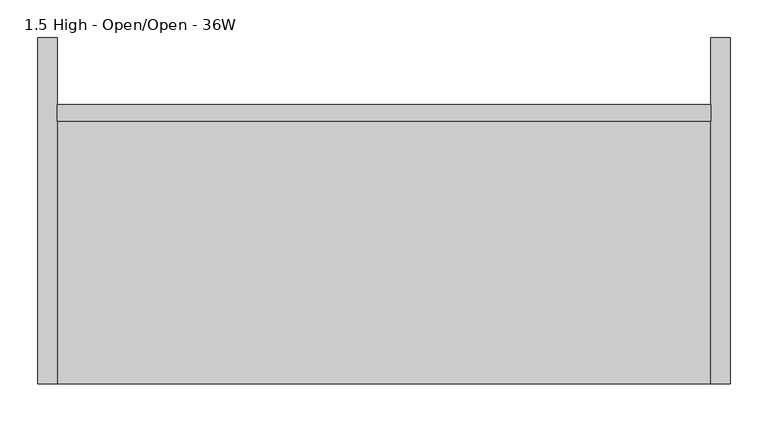
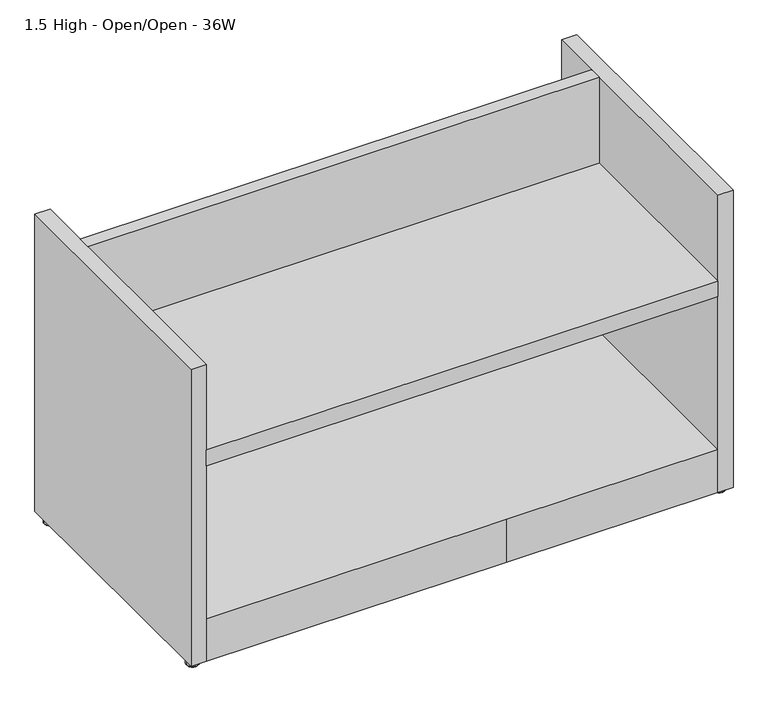
"""IFC4 building model written with IfcOpenShell, lengths in millimetres: furniture geometry, 1.5 High - Open/Open - 36W."""

from ifc_helpers import new_model, si_unit, frame, origin, place, context, project, spatial, polyline, circle_curve, outline, extrude, source, transform, mapped, element, save
from ifc_brep_helpers import plane_surface, cylinder_surface, revolved_surface, advanced_brep


def furniture_1_5_high_open_open_36w_d1925886(model_context):
    return source(origin(), model_context, "Body", "SolidModel", [
        extrude(outline(polyline([(888.899231, -110.236), (888.899231, -457.3261219), (25.500769, -457.3261219), (25.500769, -110.236), (888.899231, -110.236)])), frame((0.0, 0.0, 361.1118244), z_axis=(0.0, 0.0, 1.0), x_axis=(1.0, 0.0, 0.0)), (0.0, 0.0, 1.0), 27.8256756),
        advanced_brep(
        [(4.4898161, -438.2761219, 0.0), (20.9101839, -438.2761219, 0.0), (12.7, -438.2761219, 0.0), (2.4325396, -438.2761219, 2.0572766), (22.9674604, -438.2761219, 2.0572766), (2.4325396, -438.2761219, 11.509375), (22.9674604, -438.2761219, 11.509375), (12.7, -438.2761219, 11.509375)],
        [
            (0, 1, circle_curve(frame((12.7, -438.2761219, 0.0), z_axis=(0.0, 0.0, -1.0), x_axis=(1.0, 0.0, 0.0)), 8.2101839)),
            (1, 2),
            (2, 0),
            (1, 0, circle_curve(frame((12.7, -438.2761219, 0.0), z_axis=(0.0, 0.0, -1.0), x_axis=(1.0, 0.0, 0.0)), 8.2101839)),
            (3, 4, circle_curve(frame((12.7, -438.2761219, 2.0572766), z_axis=(0.0, 0.0, -1.0), x_axis=(1.0, 0.0, 0.0)), 10.2674604)),
            (4, 1),
            (0, 3),
            (4, 3, circle_curve(frame((12.7, -438.2761219, 2.0572766), z_axis=(0.0, 0.0, -1.0), x_axis=(1.0, 0.0, 0.0)), 10.2674604)),
            (5, 6, circle_curve(frame((12.7, -438.2761219, 11.509375), z_axis=(0.0, 0.0, -1.0), x_axis=(1.0, 0.0, 0.0)), 10.2674604)),
            (6, 4),
            (3, 5),
            (6, 5, circle_curve(frame((12.7, -438.2761219, 11.509375), z_axis=(0.0, 0.0, -1.0), x_axis=(1.0, 0.0, 0.0)), 10.2674604)),
            (7, 6),
            (5, 7),
        ],
        [
            plane_surface(frame((12.7, -438.2761219, 0.0), z_axis=(0.0, 0.0, -1.0), x_axis=(1.0, 0.0, 0.0))),
            revolved_surface(polyline([(20.9101839, -438.2761219, 0.0), (22.9674604, -438.2761219, 2.0572766)]), (12.7, -438.2761219, 11.509375), (0.0, 0.0, 1.0)),
            cylinder_surface(frame((12.7, -438.2761219, 11.509375), z_axis=(0.0, 0.0, 1.0), x_axis=(1.0, 0.0, 0.0)), 10.2674604),
            plane_surface(frame((12.7, -438.2761219, 11.509375), z_axis=(0.0, 0.0, 1.0), x_axis=(1.0, 0.0, 0.0))),
        ],
        [
            (0, [[1, 2, 3]]),
            (0, [[4, -3, -2]]),
            (1, [[5, 6, -1, 7]]),
            (1, [[8, -7, -4, -6]]),
            (2, [[9, 10, -5, 11]]),
            (2, [[12, -11, -8, -10]]),
            (3, [[13, -9, 14]]),
            (3, [[-14, -12, -13]]),
        ],
    ),
        advanced_brep(
        [(12.7, -22.0971219, 11.509375), (22.9674604, -22.0971219, 11.509375), (2.4325396, -22.0971219, 11.509375), (4.4898161, -22.0971219, 0.0), (20.9101839, -22.0971219, 0.0), (12.7, -22.0971219, 0.0), (2.4325396, -22.0971219, 2.0572766), (22.9674604, -22.0971219, 2.0572766)],
        [
            (0, 1),
            (1, 2, circle_curve(frame((12.7, -22.0971219, 11.509375), z_axis=(0.0, 0.0, 1.0), x_axis=(1.0, 0.0, 0.0)), 10.2674604)),
            (2, 0),
            (2, 1, circle_curve(frame((12.7, -22.0971219, 11.509375), z_axis=(0.0, 0.0, 1.0), x_axis=(1.0, 0.0, 0.0)), 10.2674604)),
            (3, 4, circle_curve(frame((12.7, -22.0971219, 0.0), z_axis=(0.0, 0.0, -1.0), x_axis=(1.0, 0.0, 0.0)), 8.2101839)),
            (4, 5),
            (5, 3),
            (4, 3, circle_curve(frame((12.7, -22.0971219, 0.0), z_axis=(0.0, 0.0, -1.0), x_axis=(1.0, 0.0, 0.0)), 8.2101839)),
            (6, 7, circle_curve(frame((12.7, -22.0971219, 2.0572766), z_axis=(0.0, 0.0, -1.0), x_axis=(1.0, 0.0, 0.0)), 10.2674604)),
            (7, 4),
            (3, 6),
            (7, 6, circle_curve(frame((12.7, -22.0971219, 2.0572766), z_axis=(0.0, 0.0, -1.0), x_axis=(1.0, 0.0, 0.0)), 10.2674604)),
            (1, 7),
            (6, 2),
        ],
        [
            plane_surface(frame((12.7, -22.0971219, 11.509375), z_axis=(0.0, 0.0, 1.0), x_axis=(1.0, 0.0, 0.0))),
            plane_surface(frame((12.7, -22.0971219, 0.0), z_axis=(0.0, 0.0, -1.0), x_axis=(1.0, 0.0, 0.0))),
            revolved_surface(polyline([(20.9101839, -22.0971219, 0.0), (22.9674604, -22.0971219, 2.0572766)]), (12.7, -22.0971219, 24.209375), (0.0, 0.0, 1.0)),
            cylinder_surface(frame((12.7, -22.0971219, 24.209375), z_axis=(0.0, 0.0, 1.0), x_axis=(1.0, 0.0, 0.0)), 10.2674604),
        ],
        [
            (0, [[1, 2, 3]]),
            (0, [[-3, 4, -1]]),
            (1, [[5, 6, 7]]),
            (1, [[8, -7, -6]]),
            (2, [[9, 10, -5, 11]]),
            (2, [[12, -11, -8, -10]]),
            (3, [[-2, 13, -9, 14]]),
            (3, [[-4, -14, -12, -13]]),
        ],
    ),
        extrude(outline(polyline([(888.899231, -88.138), (888.899231, -110.236), (25.500769, -110.236), (25.500769, -88.138), (888.899231, -88.138)])), frame((0.0, 0.0, 11.509375), z_axis=(0.0, 0.0, 1.0), x_axis=(1.0, 0.0, 0.0)), (0.0, 0.0, 1.0), 530.352),
        extrude(outline(polyline([(25.500769, 0.0), (25.500769, -457.3261219), (0.0, -457.3261219), (0.0, 0.0), (25.500769, 0.0)])), frame((0.0, 0.0, 11.509375), z_axis=(0.0, 0.0, 1.0), x_axis=(1.0, 0.0, 0.0)), (0.0, 0.0, 1.0), 530.352),
        extrude(outline(polyline([(888.899231, 0.0), (914.4, 0.0), (914.4, -457.3261219), (888.899231, -457.3261219), (888.899231, 0.0)])), frame((0.0, 0.0, 11.509375), z_axis=(0.0, 0.0, 1.0), x_axis=(1.0, 0.0, 0.0)), (0.0, 0.0, 1.0), 530.352),
        advanced_brep(
        [(911.9674604, -22.0971219, 2.0572766), (891.4325396, -22.0971219, 2.0572766), (891.4325396, -22.0971219, 11.509375), (911.9674604, -22.0971219, 11.509375), (909.9101839, -22.0971219, 0.0), (893.4898161, -22.0971219, 0.0), (901.7, -22.0971219, 0.0), (901.7, -22.0971219, 11.509375)],
        [
            (0, 1, circle_curve(frame((901.7, -22.0971219, 2.0572766), z_axis=(0.0, 0.0, 1.0), x_axis=(-1.0, 0.0, 0.0)), 10.2674604)),
            (1, 2),
            (2, 3, circle_curve(frame((901.7, -22.0971219, 11.509375), z_axis=(0.0, 0.0, -1.0), x_axis=(-1.0, 0.0, 0.0)), 10.2674604)),
            (3, 0),
            (1, 0, circle_curve(frame((901.7, -22.0971219, 2.0572766), z_axis=(0.0, 0.0, 1.0), x_axis=(-1.0, 0.0, 0.0)), 10.2674604)),
            (3, 2, circle_curve(frame((901.7, -22.0971219, 11.509375), z_axis=(0.0, 0.0, -1.0), x_axis=(-1.0, 0.0, 0.0)), 10.2674604)),
            (4, 5, circle_curve(frame((901.7, -22.0971219, 0.0), z_axis=(0.0, 0.0, 1.0), x_axis=(-1.0, 0.0, 0.0)), 8.2101839)),
            (5, 1),
            (0, 4),
            (5, 4, circle_curve(frame((901.7, -22.0971219, 0.0), z_axis=(0.0, 0.0, 1.0), x_axis=(-1.0, 0.0, 0.0)), 8.2101839)),
            (6, 5),
            (4, 6),
            (2, 7),
            (7, 3),
        ],
        [
            cylinder_surface(frame((901.7, -22.0971219, 24.209375), z_axis=(0.0, 0.0, -1.0), x_axis=(-1.0, 0.0, 0.0)), 10.2674604),
            revolved_surface(polyline([(891.4325396, -22.0971219, 2.0572766), (893.4898161, -22.0971219, 0.0)]), (901.7, -22.0971219, 24.209375), (0.0, 0.0, -1.0)),
            plane_surface(frame((901.7, -22.0971219, 0.0), z_axis=(0.0, 0.0, -1.0), x_axis=(-1.0, 0.0, 0.0))),
            plane_surface(frame((901.7, -22.0971219, 11.509375), z_axis=(0.0, 0.0, 1.0), x_axis=(-1.0, 0.0, 0.0))),
        ],
        [
            (0, [[1, 2, 3, 4]]),
            (0, [[5, -4, 6, -2]]),
            (1, [[7, 8, -1, 9]]),
            (1, [[10, -9, -5, -8]]),
            (2, [[11, -7, 12]]),
            (2, [[-12, -10, -11]]),
            (3, [[-3, 13, 14]]),
            (3, [[-6, -14, -13]]),
        ],
    ),
        advanced_brep(
        [(911.9674604, -438.2761219, 11.509375), (891.4325396, -438.2761219, 11.509375), (901.7, -438.2761219, 11.509375), (911.9674604, -438.2761219, 2.0572766), (891.4325396, -438.2761219, 2.0572766), (909.9101839, -438.2761219, 0.0), (893.4898161, -438.2761219, 0.0), (901.7, -438.2761219, 0.0)],
        [
            (0, 1, circle_curve(frame((901.7, -438.2761219, 11.509375), z_axis=(0.0, 0.0, 1.0), x_axis=(-1.0, 0.0, 0.0)), 10.2674604)),
            (1, 2),
            (2, 0),
            (1, 0, circle_curve(frame((901.7, -438.2761219, 11.509375), z_axis=(0.0, 0.0, 1.0), x_axis=(-1.0, 0.0, 0.0)), 10.2674604)),
            (3, 4, circle_curve(frame((901.7, -438.2761219, 2.0572766), z_axis=(0.0, 0.0, 1.0), x_axis=(-1.0, 0.0, 0.0)), 10.2674604)),
            (4, 1),
            (0, 3),
            (4, 3, circle_curve(frame((901.7, -438.2761219, 2.0572766), z_axis=(0.0, 0.0, 1.0), x_axis=(-1.0, 0.0, 0.0)), 10.2674604)),
            (5, 6, circle_curve(frame((901.7, -438.2761219, 0.0), z_axis=(0.0, 0.0, 1.0), x_axis=(-1.0, 0.0, 0.0)), 8.2101839)),
            (6, 4),
            (3, 5),
            (6, 5, circle_curve(frame((901.7, -438.2761219, 0.0), z_axis=(0.0, 0.0, 1.0), x_axis=(-1.0, 0.0, 0.0)), 8.2101839)),
            (7, 6),
            (5, 7),
        ],
        [
            plane_surface(frame((901.7, -438.2761219, 11.509375), z_axis=(0.0, 0.0, 1.0), x_axis=(-1.0, 0.0, 0.0))),
            cylinder_surface(frame((901.7, -438.2761219, 11.509375), z_axis=(0.0, 0.0, -1.0), x_axis=(-1.0, 0.0, 0.0)), 10.2674604),
            revolved_surface(polyline([(891.4325396, -438.2761219, 2.0572766), (893.4898161, -438.2761219, 0.0)]), (901.7, -438.2761219, 11.509375), (0.0, 0.0, -1.0)),
            plane_surface(frame((901.7, -438.2761219, 0.0), z_axis=(0.0, 0.0, -1.0), x_axis=(-1.0, 0.0, 0.0))),
        ],
        [
            (0, [[1, 2, 3]]),
            (0, [[4, -3, -2]]),
            (1, [[5, 6, -1, 7]]),
            (1, [[8, -7, -4, -6]]),
            (2, [[9, 10, -5, 11]]),
            (2, [[12, -11, -8, -10]]),
            (3, [[13, -9, 14]]),
            (3, [[-14, -12, -13]]),
        ],
    ),
        extrude(outline(polyline([(888.899231, -88.138), (888.899231, -457.3261219), (531.2812889, -457.3261219), (25.500769, -457.3261219), (25.500769, -88.138), (888.899231, -88.138)])), frame((0.0, 0.0, 11.509375), z_axis=(0.0, 0.0, 1.0), x_axis=(1.0, 0.0, 0.0)), (0.0, 0.0, 1.0), 76.2),
    ])


if __name__ == "__main__":
    model = new_model("IFC4")
    model_context = context("Model", 3, world=origin())
    ifc_project = project(units=[si_unit("LENGTHUNIT", "METRE", prefix="MILLI")], contexts=[model_context])
    site = spatial("IfcSite", under=ifc_project)
    building = spatial("IfcBuilding", under=site)
    placement = place(None, origin())
    furniture_1_5_high_open_open_36w_shape = furniture_1_5_high_open_open_36w_d1925886(model_context)
    element("IfcFurniture", 1, ObjectType="1.5 High - Open/Open - 36W", at=placement, inside=building, context=model_context, shape_type="MappedRepresentation", body=[
        mapped(furniture_1_5_high_open_open_36w_shape, transform((0.0, 0.0, 0.0), x_axis=(1.0, 0.0, 0.0), y_axis=(0.0, 1.0, 0.0), z_axis=(0.0, 0.0, 1.0))),
    ])
    save(model, "model.ifc")
